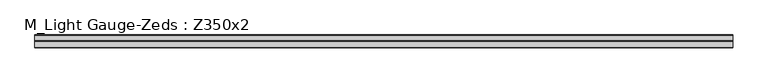
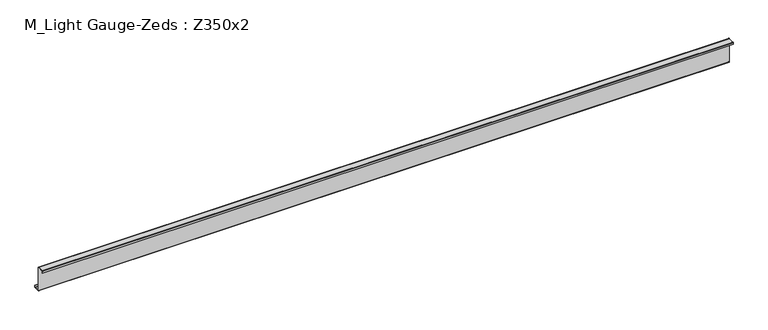
"""IFC4 building model written with IfcOpenShell, lengths in millimetres: beam geometry, M_Light Gauge-Zeds : Z350x2."""

from ifc_helpers import new_model, si_unit, point, frame, frame_2d, origin, place, context, project, spatial, polyline, circle_curve, trimmed, segment, composite_curve, outline, extrude, source, transform, mapped, element, save


def m_light_gauge_zeds_z350x2_836a6312(model_context):
    return source(origin(), model_context, "Body", "SweptSolid", [
        extrude(outline(composite_curve([segment(polyline([(0.0, -171.0), (0.0, 171.0)]), True, "CONTINUOUS"), segment(trimmed(circle_curve(frame_2d((-2.0, 171.0)), 2.0), [point((0.0, 171.0))], [point((-2.0, 173.0))], True, "CARTESIAN"), True, "CONTINUOUS"), segment(polyline([(-2.0, 173.0), (-90.0, 173.0)]), True, "CONTINUOUS"), segment(trimmed(circle_curve(frame_2d((-90.0, 171.0)), 2.0), [point((-90.0, 173.0))], [point((-92.0, 171.0))], True, "CARTESIAN"), True, "CONTINUOUS"), segment(polyline([(-92.0, 171.0), (-92.0, 145.0), (-94.0, 145.0), (-94.0, 171.0)]), True, "CONTINUOUS"), segment(trimmed(circle_curve(frame_2d((-90.0, 171.0)), 4.0), [point((-94.0, 171.0))], [point((-90.0, 175.0))], False, "CARTESIAN"), True, "CONTINUOUS"), segment(polyline([(-90.0, 175.0), (-2.0, 175.0)]), True, "CONTINUOUS"), segment(trimmed(circle_curve(frame_2d((-2.0, 171.0)), 4.0), [point((-2.0, 175.0))], [point((2.0, 171.0))], False, "CARTESIAN"), True, "CONTINUOUS"), segment(polyline([(2.0, 171.0), (2.0, -171.0)]), True, "CONTINUOUS"), segment(trimmed(circle_curve(frame_2d((4.0, -171.0)), 2.0), [point((2.0, -171.0))], [point((4.0, -173.0))], True, "CARTESIAN"), True, "CONTINUOUS"), segment(polyline([(4.0, -173.0), (82.0, -173.0)]), True, "CONTINUOUS"), segment(trimmed(circle_curve(frame_2d((82.0, -171.0)), 2.0), [point((82.0, -173.0))], [point((84.0, -171.0))], True, "CARTESIAN"), True, "CONTINUOUS"), segment(polyline([(84.0, -171.0), (84.0, -145.0), (86.0, -145.0), (86.0, -171.0)]), True, "CONTINUOUS"), segment(trimmed(circle_curve(frame_2d((82.0, -171.0)), 4.0), [point((86.0, -171.0))], [point((82.0, -175.0))], False, "CARTESIAN"), True, "CONTINUOUS"), segment(polyline([(82.0, -175.0), (4.0, -175.0)]), True, "CONTINUOUS"), segment(trimmed(circle_curve(frame_2d((4.0, -171.0)), 4.0), [point((4.0, -175.0))], [point((0.0, -171.0))], False, "CARTESIAN"), True, "CONTINUOUS")], self_intersect=False)), frame((-4742.7732672, 0.0, 0.0), z_axis=(1.0, 0.0, 0.0), x_axis=(0.0, 1.0, 0.0)), (0.0, 0.0, 1.0), 9630.0732672),
    ])


if __name__ == "__main__":
    model = new_model("IFC4")
    model_context = context("Model", 3, world=origin())
    ifc_project = project(units=[si_unit("LENGTHUNIT", "METRE", prefix="MILLI")], contexts=[model_context])
    site = spatial("IfcSite", under=ifc_project)
    building = spatial("IfcBuilding", under=site)
    placement = place(None, origin())
    m_light_gauge_zeds_z350x2_shape = m_light_gauge_zeds_z350x2_836a6312(model_context)
    element("IfcBeam", 1, ObjectType="M_Light Gauge-Zeds : Z350x2", at=placement, inside=building, context=model_context, shape_type="MappedRepresentation", body=[
        mapped(m_light_gauge_zeds_z350x2_shape, transform((0.0, 0.0, 0.0), x_axis=(1.0, 0.0, 0.0), y_axis=(0.0, 1.0, 0.0), z_axis=(0.0, 0.0, 1.0))),
    ])
    save(model, "model.ifc")
